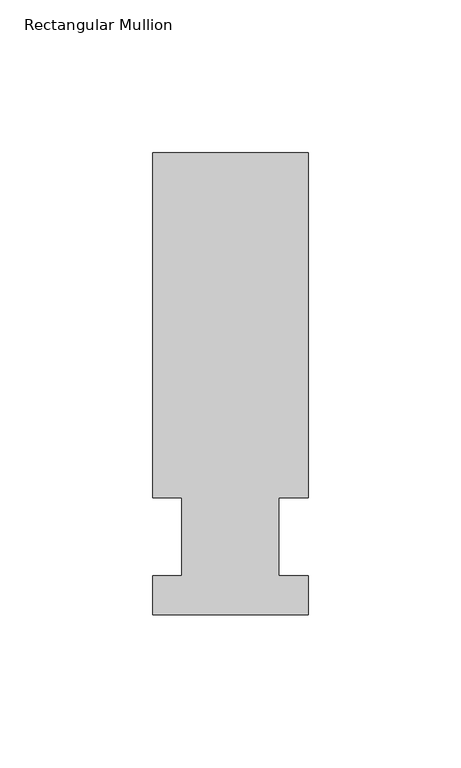
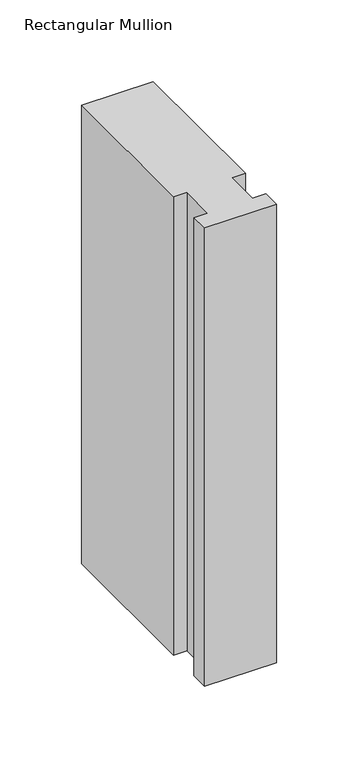
"""IFC4 building model written with IfcOpenShell, lengths in millimetres: member geometry, Rectangular Mullion."""

from ifc_helpers import new_model, si_unit, frame, origin, place, context, project, spatial, polyline, outline, extrude, source, transform, mapped, element, save


def rectangular_mullion_2c152313(model_context):
    return source(origin(), model_context, "Body", "SweptSolid", [
        extrude(outline(polyline([(-25.4, -25.5984375), (-25.4, -12.7), (-15.875, -12.7), (-15.875, 12.7), (-25.4, 12.7), (-25.4, 125.6109375), (25.4, 125.6109375), (25.4, 12.7), (15.875, 12.7), (15.875, -12.7), (25.4, -12.7), (25.4, -25.5984375), (-25.4, -25.5984375)])), frame((0.0, 0.0, -342.9), z_axis=(0.0, 0.0, 1.0), x_axis=(1.0, 0.0, 0.0)), (0.0, 0.0, 1.0), 342.9),
    ])


if __name__ == "__main__":
    model = new_model("IFC4")
    model_context = context("Model", 3, world=origin())
    ifc_project = project(units=[si_unit("LENGTHUNIT", "METRE", prefix="MILLI")], contexts=[model_context])
    site = spatial("IfcSite", under=ifc_project)
    building = spatial("IfcBuilding", under=site)
    placement = place(None, origin())
    rectangular_mullion_shape = rectangular_mullion_2c152313(model_context)
    element("IfcMember", 1, ObjectType="Rectangular Mullion", at=placement, inside=building, context=model_context, shape_type="MappedRepresentation", body=[
        mapped(rectangular_mullion_shape, transform((0.0, 0.0, 0.0), x_axis=(1.0, 0.0, 0.0), y_axis=(0.0, 1.0, 0.0), z_axis=(0.0, 0.0, 1.0))),
    ])
    save(model, "model.ifc")
